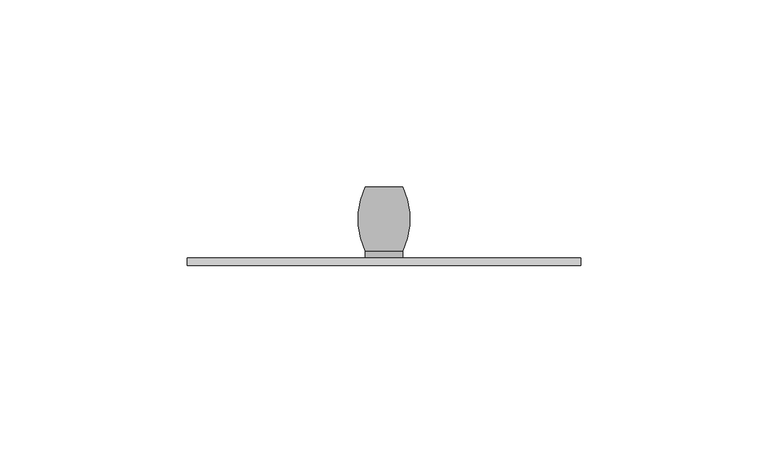
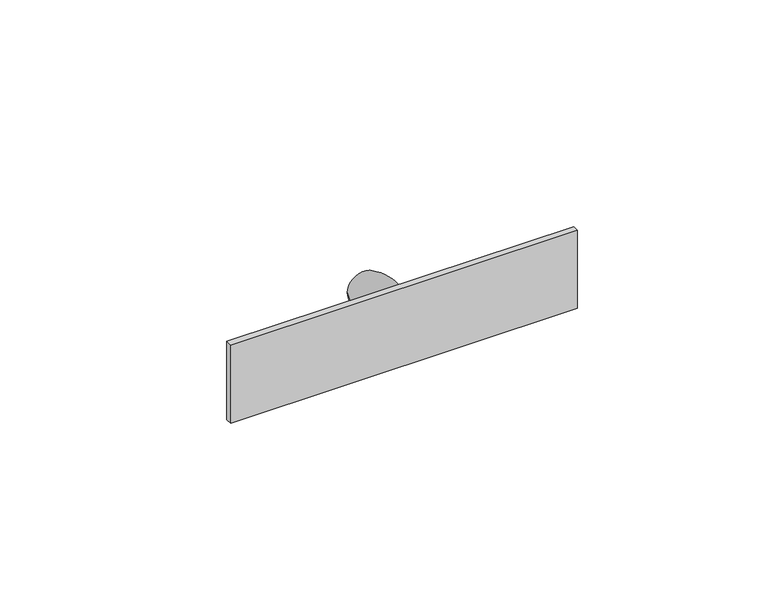
"""IFC4 building model written with IfcOpenShell, lengths in millimetres: proxy geometry."""

from ifc_helpers import new_model, si_unit, point, frame, origin, place, context, project, spatial, polyline, circle_curve, ellipse_curve, trimmed, outline, extrude, source, transform, mapped, element, save
from ifc_brep_helpers import plane_surface, cylinder_surface, revolved_surface, advanced_brep


def generic_models_7a179455(model_context):
    return source(origin(), model_context, "Body", "SolidModel", [
        extrude(outline(polyline([(79.5, 0.0), (-25.5, 0.0), (-25.5, 2.0), (79.5, 2.0), (79.5, 0.0)])), frame((0.0, 0.0, -18.5), z_axis=(0.0, 0.0, 1.0), x_axis=(1.0, 0.0, 0.0)), (0.0, 0.0, 1.0), 25.0),
        advanced_brep(
        [(21.9514945, 2.0, -6.0), (32.0485055, 2.0, -6.0), (32.0485055, 21.0, -6.0), (21.9514945, 21.0, -6.0), (21.9514945, 4.0, -6.0), (32.0485055, 4.0, -6.0)],
        [
            (0, 1, circle_curve(frame((27.0, 2.0, -6.0), z_axis=(0.0, -1.0, 0.0), x_axis=(1.0, 0.0, 0.0)), 5.0485055)),
            (1, 0, circle_curve(frame((27.0, 2.0, -6.0), z_axis=(0.0, -1.0, 0.0), x_axis=(1.0, 0.0, 0.0)), 5.0485055)),
            (2, 3, circle_curve(frame((27.0, 21.0, -6.0), z_axis=(0.0, 1.0, 0.0), x_axis=(1.0, 0.0, 0.0)), 5.0485055)),
            (3, 2, circle_curve(frame((27.0, 21.0, -6.0), z_axis=(0.0, 1.0, 0.0), x_axis=(1.0, 0.0, 0.0)), 5.0485055)),
            (4, 3, circle_curve(frame((39.8008325, 12.5, -6.0), z_axis=(0.0, 0.0, -1.0), x_axis=(-1.0, 0.0, 0.0)), 19.7698981)),
            (2, 5, circle_curve(frame((14.1991675, 12.5, -6.0), z_axis=(0.0, 0.0, -1.0), x_axis=(1.0, 0.0, 0.0)), 19.7698981)),
            (5, 4, circle_curve(frame((27.0, 4.0, -6.0), z_axis=(0.0, 1.0, 0.0), x_axis=(1.0, 0.0, 0.0)), 5.0485055)),
            (4, 5, circle_curve(frame((27.0, 4.0, -6.0), z_axis=(0.0, 1.0, 0.0), x_axis=(1.0, 0.0, 0.0)), 5.0485055)),
            (5, 1),
            (0, 4),
        ],
        [
            plane_surface(frame((34.0, 2.0, -6.0), z_axis=(0.0, -1.0, 0.0), x_axis=(0.0, 0.0, 1.0))),
            plane_surface(frame((34.0, 21.0, -6.0), z_axis=(0.0, 1.0, 0.0), x_axis=(0.0, 0.0, -1.0))),
            revolved_surface(trimmed(ellipse_curve(frame((14.1991675, 12.5, -6.0), z_axis=(0.0, 0.0, 1.0), x_axis=(1.0, 0.0, 0.0)), 19.7698981, 19.7698981), [point((32.0485055, 4.0, -6.0))], [point((32.0485055, 21.0, -6.0))], True, "CARTESIAN"), (27.0, 2.0, -6.0), (0.0, 1.0, 0.0)),
            cylinder_surface(frame((27.0, 2.0, -6.0), z_axis=(0.0, 1.0, 0.0), x_axis=(1.0, 0.0, 0.0)), 5.0485055),
        ],
        [
            (0, [[1, 2]]),
            (1, [[3, 4]]),
            (2, [[5, -3, 6, 7]]),
            (2, [[-5, 8, -6, -4]]),
            (3, [[-7, 9, -1, 10]]),
            (3, [[-8, -10, -2, -9]]),
        ],
    ),
    ])


if __name__ == "__main__":
    model = new_model("IFC4")
    model_context = context("Model", 3, world=origin())
    ifc_project = project(units=[si_unit("LENGTHUNIT", "METRE", prefix="MILLI")], contexts=[model_context])
    site = spatial("IfcSite", under=ifc_project)
    building = spatial("IfcBuilding", under=site)
    placement = place(None, origin())
    generic_models_shape = generic_models_7a179455(model_context)
    element("IfcBuildingElementProxy", 1, Name="Generic Models", at=placement, inside=building, context=model_context, shape_type="MappedRepresentation", body=[
        mapped(generic_models_shape, transform((0.0, 0.0, 0.0), x_axis=(1.0, 0.0, 0.0), y_axis=(0.0, 1.0, 0.0), z_axis=(0.0, 0.0, 1.0))),
    ])
    save(model, "model.ifc")
